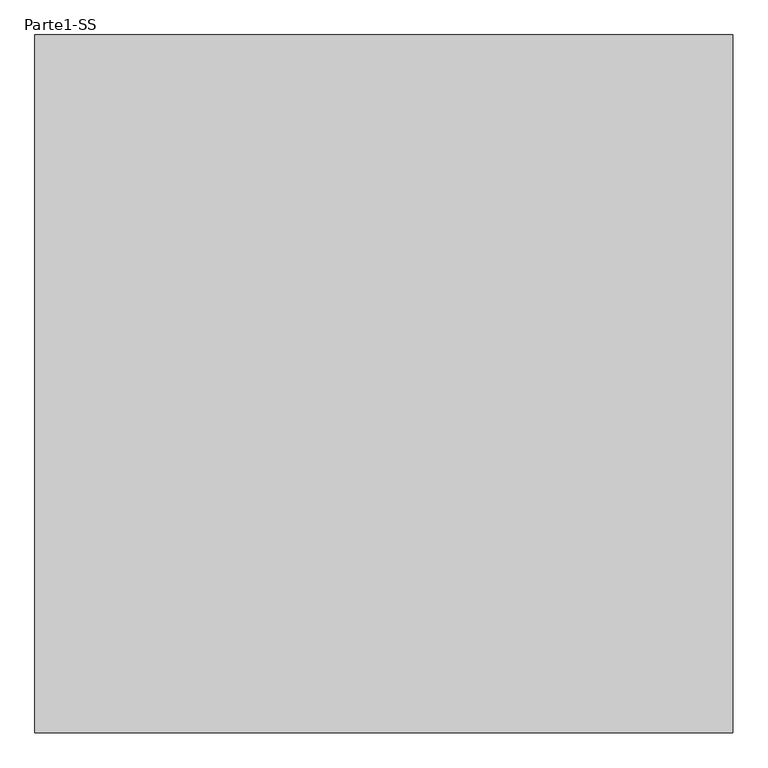
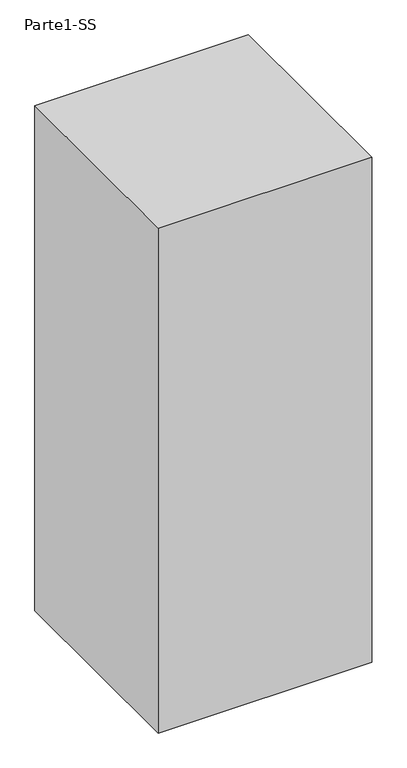
"""IFC4 building model written with IfcOpenShell, lengths in millimetres: proxy geometry, Parte1-SS."""

from ifc_helpers import new_model, si_unit, frame, origin, place, context, project, spatial, polyline, outline, extrude, source, transform, mapped, element, save


def parte1_ss_ac6bac9a(model_context):
    return source(origin(), model_context, "Body", "SweptSolid", [
        extrude(outline(polyline([(10000.0, 10000.0), (10000.0, 0.0), (0.0, 0.0), (0.0, 10000.0), (10000.0, 10000.0)])), frame((0.0, 0.0, 5000.0), z_axis=(0.0, 0.0, 1.0), x_axis=(1.0, 0.0, 0.0)), (0.0, 0.0, 1.0), 25000.0),
    ])


if __name__ == "__main__":
    model = new_model("IFC4")
    model_context = context("Model", 3, world=origin())
    ifc_project = project(units=[si_unit("LENGTHUNIT", "METRE", prefix="MILLI")], contexts=[model_context])
    site = spatial("IfcSite", under=ifc_project)
    building = spatial("IfcBuilding", under=site)
    placement = place(None, origin())
    parte1_ss_shape = parte1_ss_ac6bac9a(model_context)
    element("IfcBuildingElementProxy", 1, Name="Parte1-SS", ObjectType="Parte1-SS", at=placement, inside=building, context=model_context, shape_type="MappedRepresentation", body=[
        mapped(parte1_ss_shape, transform((0.0, 0.0, 0.0), x_axis=(1.0, 0.0, 0.0), y_axis=(0.0, 1.0, 0.0), z_axis=(0.0, 0.0, 1.0))),
    ])
    save(model, "model.ifc")
